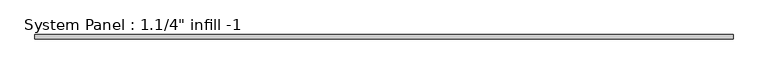
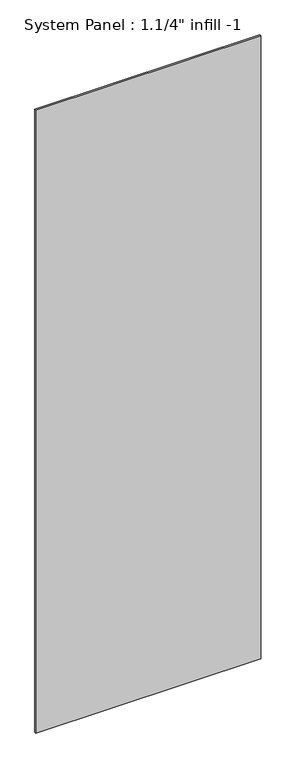
"""IFC4 building model written with IfcOpenShell, lengths in millimetres: plate geometry."""

import ifcopenshell
import ifcopenshell.guid

model = None  # the IFC model being written
_history = None  # IfcOwnerHistory: only IFC2X3 demands one
_inside = {}  # id of a spatial element -> (the spatial element, [elements in it])
_under = {}  # id of a project, library or spatial element -> (it, [spatial elements below it])
_declared = {}  # id of a project -> (the project, [libraries it declares])
_typed = {}  # id of a type object -> (the type object, [elements of that type])
_made_of = {}  # id of a material, layer set ... -> (it, [elements and type objects made of it])


def new_model(schema):
    """Start an empty IFC model of exactly this schema.

    Asked for "IFC4X3", IfcOpenShell would pick the latest addendum, in which some entities
    have other attributes; the version numbers below select the first issue.
    IFC2X3 requires an IfcOwnerHistory on every rooted entity: one is made here for all.
    """
    global model, _history
    if schema == "IFC4X3":
        model = ifcopenshell.file(schema_version=(4, 3, 0, 0))
    else:
        model = ifcopenshell.file(schema=schema)
    _inside.clear()
    _under.clear()
    _declared.clear()
    _typed.clear()
    _made_of.clear()
    _history = None
    if model.schema == "IFC2X3":
        org = make("IfcOrganization", Name="unknown")
        user = make(
            "IfcPersonAndOrganization",
            ThePerson=make("IfcPerson", FamilyName="unknown"),
            TheOrganization=org,
        )
        app = make(
            "IfcApplication",
            ApplicationDeveloper=org,
            Version="unknown",
            ApplicationFullName="unknown",
            ApplicationIdentifier="unknown",
        )
        _history = make(
            "IfcOwnerHistory",
            OwningUser=user,
            OwningApplication=app,
            ChangeAction="ADDED",
            CreationDate=0,
        )
    return model


def make(cls, **values):
    """One entity of the class cls with the attributes given. An attribute that is None is left unset."""
    return model.create_entity(
        cls, **{name: value for name, value in values.items() if value is not None}
    )


def rooted(cls, **values):
    """An entity with a GlobalId (a new one), such as an element, a storey or a relation."""
    return make(cls, GlobalId=ifcopenshell.guid.new(), OwnerHistory=_history, **values)


def si_unit(unit_type, name, prefix=None):
    """IfcSIUnit, for example si_unit("LENGTHUNIT", "METRE", prefix="MILLI")."""
    return make("IfcSIUnit", UnitType=unit_type, Prefix=prefix, Name=name)


def assignment(units):
    """IfcUnitAssignment: the units of a project."""
    return None if units is None else make("IfcUnitAssignment", Units=units)


def point(xyz):
    """IfcCartesianPoint."""
    return None if xyz is None else make("IfcCartesianPoint", Coordinates=xyz)


def direction(xyz):
    """IfcDirection."""
    return None if xyz is None else make("IfcDirection", DirectionRatios=xyz)


def frame(location, z_axis=None, x_axis=None):
    """IfcAxis2Placement3D, a coordinate frame: its origin and axes. An axis left out is left unset."""
    return make(
        "IfcAxis2Placement3D",
        Location=point(location),
        Axis=direction(z_axis),
        RefDirection=direction(x_axis),
    )


def origin():
    """The frame at (0, 0, 0) with its axes left unset."""
    return frame((0.0, 0.0, 0.0))


def origin_with_axes():
    """The frame at (0, 0, 0) with the z axis (0, 0, 1) and the x axis (1, 0, 0) written out."""
    return frame((0.0, 0.0, 0.0), z_axis=(0.0, 0.0, 1.0), x_axis=(1.0, 0.0, 0.0))


def place(relative_to, where):
    """IfcLocalPlacement: puts the frame where relative to a parent placement (None: the world)."""
    return make(
        "IfcLocalPlacement", PlacementRelTo=relative_to, RelativePlacement=where
    )


def context(
    kind, dimensions, precision=None, world=None, true_north=None, identifier=None
):
    """IfcGeometricRepresentationContext, for example the 3D "Model" context."""
    return make(
        "IfcGeometricRepresentationContext",
        ContextIdentifier=identifier,
        ContextType=kind,
        CoordinateSpaceDimension=dimensions,
        Precision=precision,
        WorldCoordinateSystem=world,
        TrueNorth=true_north,
    )


def project(units=None, contexts=None):
    """IfcProject with its units and contexts."""
    return rooted(
        "IfcProject",
        Name="project",
        RepresentationContexts=contexts,
        UnitsInContext=assignment(units),
    )


def spatial(cls, under=None, at=None, **own):
    """A site, building, storey or space (cls), placed at a placement, below another one or the project."""
    s = rooted(cls, ObjectPlacement=at, **own)
    if under is not None:
        _under.setdefault(under.id(), (under, []))[1].append(s)
    return s


def polyline(points):
    """IfcPolyline through the points."""
    return make("IfcPolyline", Points=[point(p) for p in points])


def outline(outer, holes=None, kind="AREA"):
    """IfcArbitraryClosedProfileDef: a profile drawn as a closed curve; with holes, ...WithVoids."""
    if holes is None:
        return make("IfcArbitraryClosedProfileDef", ProfileType=kind, OuterCurve=outer)
    return make(
        "IfcArbitraryProfileDefWithVoids",
        ProfileType=kind,
        OuterCurve=outer,
        InnerCurves=holes,
    )


def extrude(swept, where, along, depth):
    """IfcExtrudedAreaSolid: the profile swept, set in the frame where, extruded along a direction by depth."""
    return make(
        "IfcExtrudedAreaSolid",
        SweptArea=swept,
        Position=where,
        ExtrudedDirection=direction(along),
        Depth=depth,
    )


def shape(context_of_items, identifier, shape_type, items):
    """IfcShapeRepresentation: the items that make up one representation, for example the "Body"."""
    return make(
        "IfcShapeRepresentation",
        ContextOfItems=context_of_items,
        RepresentationIdentifier=identifier,
        RepresentationType=shape_type,
        Items=items,
    )


def source(mapping_origin, context_of_items, identifier, shape_type, items):
    """IfcRepresentationMap: a shape defined once, which mapped items show again and again."""
    return make(
        "IfcRepresentationMap",
        MappingOrigin=mapping_origin,
        MappedRepresentation=shape(context_of_items, identifier, shape_type, items),
    )


def transform(
    local_origin,
    x_axis=None,
    y_axis=None,
    z_axis=None,
    scale=None,
    scale2=None,
    scale3=None,
    uniform=True,
):
    """IfcCartesianTransformationOperator3D, or its non-uniform kind. x_axis, y_axis, z_axis: its Axis1, 2, 3."""
    if uniform:
        return make(
            "IfcCartesianTransformationOperator3D",
            Axis1=direction(x_axis),
            Axis2=direction(y_axis),
            LocalOrigin=point(local_origin),
            Scale=scale,
            Axis3=direction(z_axis),
        )
    return make(
        "IfcCartesianTransformationOperator3DnonUniform",
        Axis1=direction(x_axis),
        Axis2=direction(y_axis),
        LocalOrigin=point(local_origin),
        Scale=scale,
        Axis3=direction(z_axis),
        Scale2=scale2,
        Scale3=scale3,
    )


def mapped(mapping_source, mapping_target):
    """IfcMappedItem: shows the shape of a source again, moved by a transform."""
    return make(
        "IfcMappedItem", MappingSource=mapping_source, MappingTarget=mapping_target
    )


def made_of(thing, what):
    """Note that an element or type object is made of a material, layer set ...; save() writes the relation."""
    if what is not None:
        _made_of.setdefault(what.id(), (what, []))[1].append(thing)
    return thing


def element(
    cls,
    number,
    at=None,
    inside=None,
    cuts=None,
    type_object=None,
    material=None,
    context=None,
    identifier="Body",
    shape_type=None,
    held_by="IfcProductDefinitionShape",
    body=None,
    shapes=None,
    **own,
):
    """One element of the class cls, such as IfcWall. Its Tag is "e" and its number.

    at: its placement. inside: the storey or other place that contains it. cuts: it is an
    opening in that element (IfcRelVoidsElement). A single representation is given by context,
    identifier, shape_type and body (its items); several are given by shapes. held_by: the class
    of the entity that holds the representations. save() writes the other relations.
    """
    e = rooted(cls, Tag="e%d" % number, ObjectPlacement=at, **own)
    if body is not None:
        shapes = [shape(context, identifier, shape_type, body)]
    if shapes is not None:
        e.Representation = make(held_by, Representations=shapes)
    if inside is not None:
        _inside.setdefault(inside.id(), (inside, []))[1].append(e)
    if cuts is not None:
        rooted(
            "IfcRelVoidsElement", RelatingBuildingElement=cuts, RelatedOpeningElement=e
        )
    if type_object is not None:
        _typed.setdefault(type_object.id(), (type_object, []))[1].append(e)
    return made_of(e, material)


def aggregate(whole, parts):
    """IfcRelAggregates: a whole, such as a stair, and the parts it consists of."""
    return rooted("IfcRelAggregates", RelatingObject=whole, RelatedObjects=parts)


def save(model, path):
    """Write the relations noted so far, then the file.

    IfcRelAggregates (storeys below a building ...), IfcRelContainedInSpatialStructure (elements
    in a storey), IfcRelDefinesByType, IfcRelAssociatesMaterial and IfcRelDeclares: one each for
    every whole, place, type object, material and project.
    """
    for whole, parts in _under.values():
        aggregate(whole, parts)
    for where, things in _inside.values():
        rooted(
            "IfcRelContainedInSpatialStructure",
            RelatedElements=things,
            RelatingStructure=where,
        )
    for kind, things in _typed.values():
        rooted("IfcRelDefinesByType", RelatedObjects=things, RelatingType=kind)
    for what, things in _made_of.values():
        rooted("IfcRelAssociatesMaterial", RelatedObjects=things, RelatingMaterial=what)
    for by, libraries in _declared.values():
        rooted("IfcRelDeclares", RelatingContext=by, RelatedDefinitions=libraries)
    model.write(path)


def plate_7c10e22a(model_context):
    return source(origin(), model_context, "Body", "SweptSolid", [
        extrude(outline(polyline([(520.7, -6.35), (-520.7, -6.35), (-520.7, 0.0), (520.7, 0.0), (520.7, -6.35)])), origin_with_axes(), (0.0, 0.0, 1.0), 3048.0),
    ])


if __name__ == "__main__":
    model = new_model("IFC4")
    model_context = context("Model", 3, world=origin())
    ifc_project = project(units=[si_unit("LENGTHUNIT", "METRE", prefix="MILLI")], contexts=[model_context])
    site = spatial("IfcSite", under=ifc_project)
    building = spatial("IfcBuilding", under=site)
    placement = place(None, origin())
    plate_shape = plate_7c10e22a(model_context)
    element("IfcPlate", 1, ObjectType="System Panel : 1.1/4\" infill -1", at=placement, inside=building, context=model_context, shape_type="MappedRepresentation", body=[
        mapped(plate_shape, transform((0.0, 0.0, 0.0), x_axis=(1.0, 0.0, 0.0), y_axis=(0.0, 1.0, 0.0), z_axis=(0.0, 0.0, 1.0))),
    ])
    save(model, "model.ifc")
